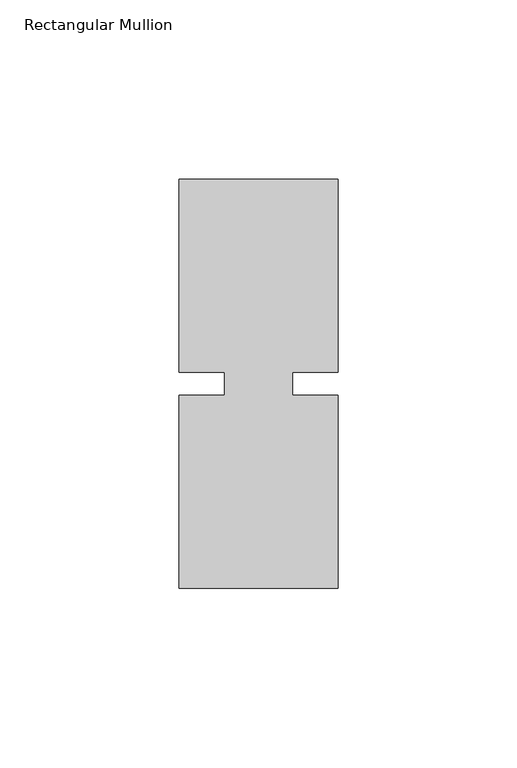
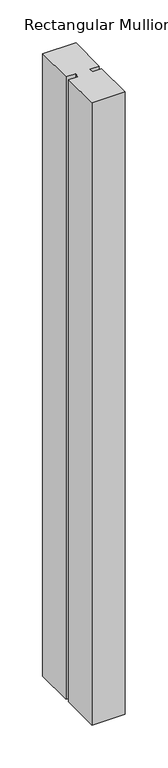
"""IFC4 building model written with IfcOpenShell, lengths in millimetres: member geometry, Rectangular Mullion."""

from ifc_helpers import new_model, si_unit, frame, origin, place, context, project, spatial, polyline, outline, extrude, source, transform, mapped, element, save


def rectangular_mullion_92f0b9d0(model_context):
    return source(origin(), model_context, "Body", "SweptSolid", [
        extrude(outline(polyline([(26.5594027, 57.15), (26.5594027, 3.175), (13.8576322, 3.175), (13.8576322, -3.175), (26.5594027, -3.175), (26.5594027, -57.15), (-17.8905973, -57.15), (-17.8905973, -3.175), (-5.1905973, -3.175), (-5.1905973, 3.175), (-17.8905973, 3.175), (-17.8905973, 57.15), (26.5594027, 57.15)])), frame((0.0, 0.0, -883.8094027), z_axis=(0.0, 0.0, 1.0), x_axis=(1.0, 0.0, 0.0)), (0.0, 0.0, 1.0), 883.8094027),
    ])


if __name__ == "__main__":
    model = new_model("IFC4")
    model_context = context("Model", 3, world=origin())
    ifc_project = project(units=[si_unit("LENGTHUNIT", "METRE", prefix="MILLI")], contexts=[model_context])
    site = spatial("IfcSite", under=ifc_project)
    building = spatial("IfcBuilding", under=site)
    placement = place(None, origin())
    rectangular_mullion_shape = rectangular_mullion_92f0b9d0(model_context)
    element("IfcMember", 1, ObjectType="Rectangular Mullion", at=placement, inside=building, context=model_context, shape_type="MappedRepresentation", body=[
        mapped(rectangular_mullion_shape, transform((0.0, 0.0, 0.0), x_axis=(1.0, 0.0, 0.0), y_axis=(0.0, 1.0, 0.0), z_axis=(0.0, 0.0, 1.0))),
    ])
    save(model, "model.ifc")
